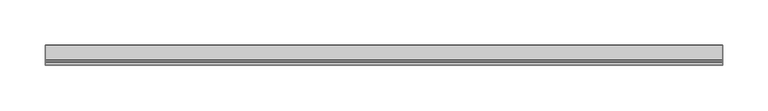
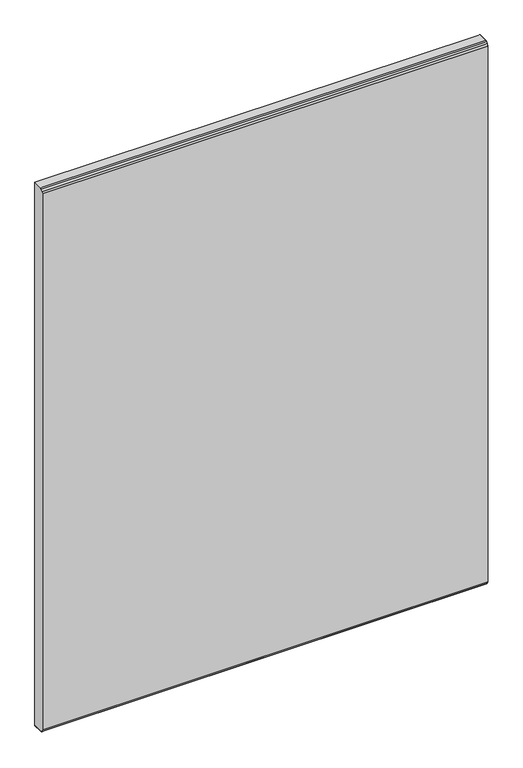
"""IFC4 building model written with IfcOpenShell, lengths in millimetres: furniture geometry."""

from ifc_helpers import new_model, si_unit, origin, place, context, project, spatial, triangles, source, transform, mapped, element, save


def furniture_88e0ecdf(model_context):
    return source(origin(), model_context, "Body", "Tessellation", [
        triangles([(755.6500242, 6.3500002, 0.0), (6.3500002, 6.3500002, 0.0), (6.3500002, 22.2249992, 0.0), (755.6500242, 22.2249992, 0.0), (6.3500002, 6.3500002, 965.2000242), (755.6500242, 6.3500002, 965.2000242), (755.6500242, 22.2249992, 965.2000242), (6.3500002, 22.2249992, 965.2000242), (755.6500242, 0.0, 958.8499758), (6.3500002, 0.0, 958.8499758), (6.3500002, 0.0, 6.3500002), (755.6500242, 0.0, 6.3500002), (755.6500242, 0.8507387, 962.025), (6.3500002, 0.8507387, 962.025), (755.6500242, 3.1750001, 964.3492767), (6.3500002, 3.1750001, 964.3492767), (6.3500002, 0.8507387, 3.1750001), (755.6500242, 0.8507387, 3.1750001), (6.3500002, 3.1750001, 0.8507387), (755.6500242, 3.1750001, 0.8507387)], [[1, 2, 3], [1, 3, 4], [5, 6, 7], [5, 7, 8], [9, 10, 11], [9, 11, 12], [11, 10, 3], [11, 3, 2], [5, 8, 3], [5, 3, 10], [9, 12, 1], [9, 1, 4], [7, 6, 4], [6, 9, 4], [10, 9, 13], [10, 13, 14], [14, 13, 15], [14, 15, 16], [16, 15, 6], [16, 6, 5], [5, 10, 14], [5, 14, 16], [13, 9, 15], [9, 6, 15], [17, 18, 12], [17, 12, 11], [19, 20, 18], [19, 18, 17], [2, 1, 20], [2, 20, 19], [2, 19, 17], [2, 17, 11], [12, 18, 20], [12, 20, 1]], closed=False),
    ])


if __name__ == "__main__":
    model = new_model("IFC4")
    model_context = context("Model", 3, world=origin())
    ifc_project = project(units=[si_unit("LENGTHUNIT", "METRE", prefix="MILLI")], contexts=[model_context])
    site = spatial("IfcSite", under=ifc_project)
    building = spatial("IfcBuilding", under=site)
    placement = place(None, origin())
    furniture_shape = furniture_88e0ecdf(model_context)
    element("IfcFurniture", 1, at=placement, inside=building, context=model_context, shape_type="MappedRepresentation", body=[
        mapped(furniture_shape, transform((0.0, 0.0, 0.0), x_axis=(1.0, 0.0, 0.0), y_axis=(0.0, 1.0, 0.0), z_axis=(0.0, 0.0, 1.0))),
    ])
    save(model, "model.ifc")
